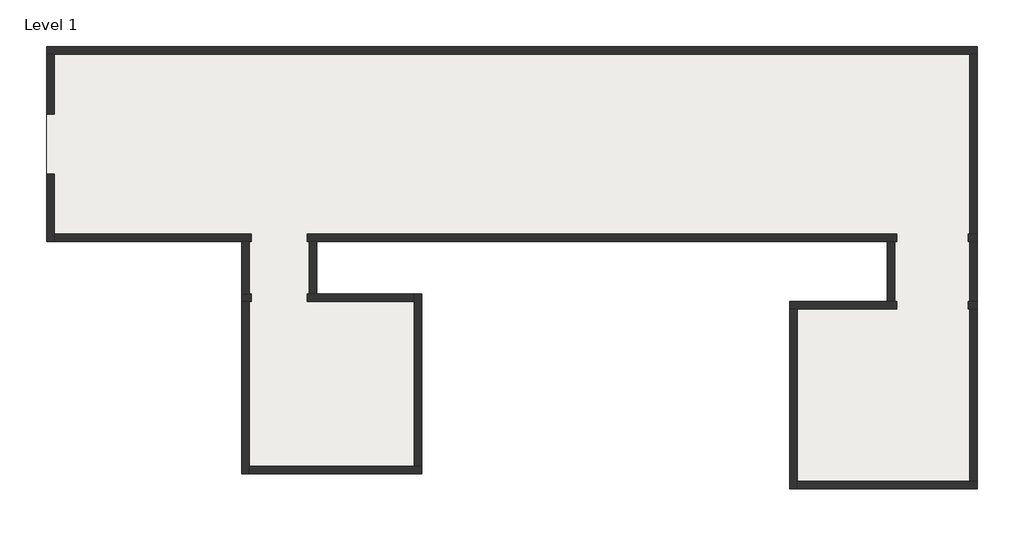
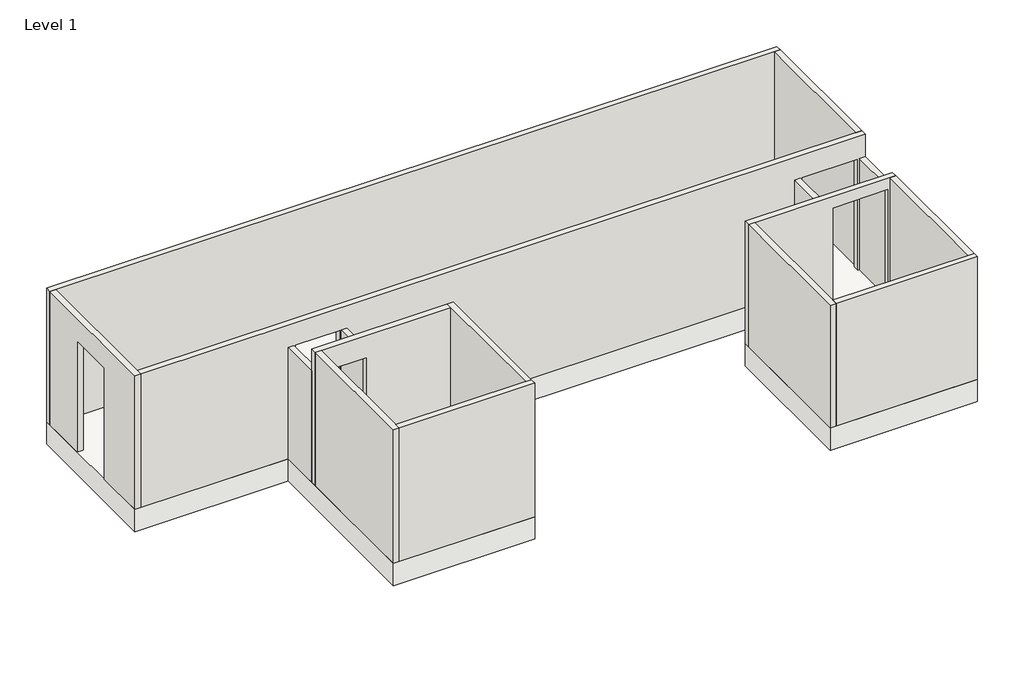
# One storey: 16 walls, 1 slab.
"""IFC4 building model written with IfcOpenShell, lengths in millimetres."""

import ifcopenshell
import ifcopenshell.guid

model = None  # the IFC model being written
_history = None  # IfcOwnerHistory: only IFC2X3 demands one
_inside = {}  # id of a spatial element -> (the spatial element, [elements in it])
_under = {}  # id of a project, library or spatial element -> (it, [spatial elements below it])
_declared = {}  # id of a project -> (the project, [libraries it declares])
_typed = {}  # id of a type object -> (the type object, [elements of that type])
_made_of = {}  # id of a material, layer set ... -> (it, [elements and type objects made of it])


def new_model(schema):
    """Start an empty IFC model of exactly this schema.

    Asked for "IFC4X3", IfcOpenShell would pick the latest addendum, in which some entities
    have other attributes; the version numbers below select the first issue.
    IFC2X3 requires an IfcOwnerHistory on every rooted entity: one is made here for all.
    """
    global model, _history
    if schema == "IFC4X3":
        model = ifcopenshell.file(schema_version=(4, 3, 0, 0))
    else:
        model = ifcopenshell.file(schema=schema)
    _inside.clear()
    _under.clear()
    _declared.clear()
    _typed.clear()
    _made_of.clear()
    _history = None
    if model.schema == "IFC2X3":
        org = make("IfcOrganization", Name="unknown")
        user = make(
            "IfcPersonAndOrganization",
            ThePerson=make("IfcPerson", FamilyName="unknown"),
            TheOrganization=org,
        )
        app = make(
            "IfcApplication",
            ApplicationDeveloper=org,
            Version="unknown",
            ApplicationFullName="unknown",
            ApplicationIdentifier="unknown",
        )
        _history = make(
            "IfcOwnerHistory",
            OwningUser=user,
            OwningApplication=app,
            ChangeAction="ADDED",
            CreationDate=0,
        )
    return model


def make(cls, **values):
    """One entity of the class cls with the attributes given. An attribute that is None is left unset."""
    return model.create_entity(
        cls, **{name: value for name, value in values.items() if value is not None}
    )


def rooted(cls, **values):
    """An entity with a GlobalId (a new one), such as an element, a storey or a relation."""
    return make(cls, GlobalId=ifcopenshell.guid.new(), OwnerHistory=_history, **values)


def si_unit(unit_type, name, prefix=None):
    """IfcSIUnit, for example si_unit("LENGTHUNIT", "METRE", prefix="MILLI")."""
    return make("IfcSIUnit", UnitType=unit_type, Prefix=prefix, Name=name)


def assignment(units):
    """IfcUnitAssignment: the units of a project."""
    return None if units is None else make("IfcUnitAssignment", Units=units)


def point(xyz):
    """IfcCartesianPoint."""
    return None if xyz is None else make("IfcCartesianPoint", Coordinates=xyz)


def direction(xyz):
    """IfcDirection."""
    return None if xyz is None else make("IfcDirection", DirectionRatios=xyz)


def frame(location, z_axis=None, x_axis=None):
    """IfcAxis2Placement3D, a coordinate frame: its origin and axes. An axis left out is left unset."""
    return make(
        "IfcAxis2Placement3D",
        Location=point(location),
        Axis=direction(z_axis),
        RefDirection=direction(x_axis),
    )


def origin():
    """The frame at (0, 0, 0) with its axes left unset."""
    return frame((0.0, 0.0, 0.0))


def origin_with_axes():
    """The frame at (0, 0, 0) with the z axis (0, 0, 1) and the x axis (1, 0, 0) written out."""
    return frame((0.0, 0.0, 0.0), z_axis=(0.0, 0.0, 1.0), x_axis=(1.0, 0.0, 0.0))


def place(relative_to, where):
    """IfcLocalPlacement: puts the frame where relative to a parent placement (None: the world)."""
    return make(
        "IfcLocalPlacement", PlacementRelTo=relative_to, RelativePlacement=where
    )


def context(
    kind, dimensions, precision=None, world=None, true_north=None, identifier=None
):
    """IfcGeometricRepresentationContext, for example the 3D "Model" context."""
    return make(
        "IfcGeometricRepresentationContext",
        ContextIdentifier=identifier,
        ContextType=kind,
        CoordinateSpaceDimension=dimensions,
        Precision=precision,
        WorldCoordinateSystem=world,
        TrueNorth=true_north,
    )


def project(units=None, contexts=None):
    """IfcProject with its units and contexts."""
    return rooted(
        "IfcProject",
        Name="project",
        RepresentationContexts=contexts,
        UnitsInContext=assignment(units),
    )


def spatial(cls, under=None, at=None, **own):
    """A site, building, storey or space (cls), placed at a placement, below another one or the project."""
    s = rooted(cls, ObjectPlacement=at, **own)
    if under is not None:
        _under.setdefault(under.id(), (under, []))[1].append(s)
    return s


def polyline(points):
    """IfcPolyline through the points."""
    return make("IfcPolyline", Points=[point(p) for p in points])


def outline(outer, holes=None, kind="AREA"):
    """IfcArbitraryClosedProfileDef: a profile drawn as a closed curve; with holes, ...WithVoids."""
    if holes is None:
        return make("IfcArbitraryClosedProfileDef", ProfileType=kind, OuterCurve=outer)
    return make(
        "IfcArbitraryProfileDefWithVoids",
        ProfileType=kind,
        OuterCurve=outer,
        InnerCurves=holes,
    )


def extrude(swept, where, along, depth):
    """IfcExtrudedAreaSolid: the profile swept, set in the frame where, extruded along a direction by depth."""
    return make(
        "IfcExtrudedAreaSolid",
        SweptArea=swept,
        Position=where,
        ExtrudedDirection=direction(along),
        Depth=depth,
    )


def faces_of(points, faces, orient=None, outer=None):
    """IfcFace entities. A face is a list of loops; a loop is a list of indices into points, from 0.

    orient and outer hold one flag for each loop. By default every Orientation is true, the
    first loop of a face is its IfcFaceOuterBound and the others are IfcFaceBound.
    """
    made = []
    for i, loops in enumerate(faces):
        bounds = []
        for j, loop in enumerate(loops):
            is_outer = j == 0 if outer is None else outer[i][j]
            bounds.append(
                make(
                    "IfcFaceOuterBound" if is_outer else "IfcFaceBound",
                    Bound=make("IfcPolyLoop", Polygon=[points[k] for k in loop]),
                    Orientation=True if orient is None else orient[i][j],
                )
            )
        made.append(make("IfcFace", Bounds=bounds))
    return made


def faceted_brep(points, faces, orient=None, outer=None, voids=None):
    """IfcFacetedBrep: a solid bounded by flat faces; with voids (closed shells), ...WithVoids."""
    shared = [point(p) for p in points]
    hull = make("IfcClosedShell", CfsFaces=faces_of(shared, faces, orient, outer))
    if voids is None:
        return make("IfcFacetedBrep", Outer=hull)
    return make(
        "IfcFacetedBrepWithVoids",
        Outer=hull,
        Voids=[
            make(cls, CfsFaces=faces_of(shared, fs, o, b)) for cls, fs, o, b in voids
        ],
    )


def shape(context_of_items, identifier, shape_type, items):
    """IfcShapeRepresentation: the items that make up one representation, for example the "Body"."""
    return make(
        "IfcShapeRepresentation",
        ContextOfItems=context_of_items,
        RepresentationIdentifier=identifier,
        RepresentationType=shape_type,
        Items=items,
    )


def made_of(thing, what):
    """Note that an element or type object is made of a material, layer set ...; save() writes the relation."""
    if what is not None:
        _made_of.setdefault(what.id(), (what, []))[1].append(thing)
    return thing


def element(
    cls,
    number,
    at=None,
    inside=None,
    cuts=None,
    type_object=None,
    material=None,
    context=None,
    identifier="Body",
    shape_type=None,
    held_by="IfcProductDefinitionShape",
    body=None,
    shapes=None,
    **own,
):
    """One element of the class cls, such as IfcWall. Its Tag is "e" and its number.

    at: its placement. inside: the storey or other place that contains it. cuts: it is an
    opening in that element (IfcRelVoidsElement). A single representation is given by context,
    identifier, shape_type and body (its items); several are given by shapes. held_by: the class
    of the entity that holds the representations. save() writes the other relations.
    """
    e = rooted(cls, Tag="e%d" % number, ObjectPlacement=at, **own)
    if body is not None:
        shapes = [shape(context, identifier, shape_type, body)]
    if shapes is not None:
        e.Representation = make(held_by, Representations=shapes)
    if inside is not None:
        _inside.setdefault(inside.id(), (inside, []))[1].append(e)
    if cuts is not None:
        rooted(
            "IfcRelVoidsElement", RelatingBuildingElement=cuts, RelatedOpeningElement=e
        )
    if type_object is not None:
        _typed.setdefault(type_object.id(), (type_object, []))[1].append(e)
    return made_of(e, material)


def aggregate(whole, parts):
    """IfcRelAggregates: a whole, such as a stair, and the parts it consists of."""
    return rooted("IfcRelAggregates", RelatingObject=whole, RelatedObjects=parts)


def save(model, path):
    """Write the relations noted so far, then the file.

    IfcRelAggregates (storeys below a building ...), IfcRelContainedInSpatialStructure (elements
    in a storey), IfcRelDefinesByType, IfcRelAssociatesMaterial and IfcRelDeclares: one each for
    every whole, place, type object, material and project.
    """
    for whole, parts in _under.values():
        aggregate(whole, parts)
    for where, things in _inside.values():
        rooted(
            "IfcRelContainedInSpatialStructure",
            RelatedElements=things,
            RelatingStructure=where,
        )
    for kind, things in _typed.values():
        rooted("IfcRelDefinesByType", RelatedObjects=things, RelatingType=kind)
    for what, things in _made_of.values():
        rooted("IfcRelAssociatesMaterial", RelatedObjects=things, RelatingMaterial=what)
    for by, libraries in _declared.values():
        rooted("IfcRelDeclares", RelatingContext=by, RelatedDefinitions=libraries)
    model.write(path)


model = new_model("IFC4")

# Units and contexts
model_context = context("Model", 3, world=origin())
ifc_project = project(units=[si_unit("LENGTHUNIT", "METRE", prefix="MILLI")], contexts=[model_context])

# Site, building, storey
site = spatial("IfcSite", under=ifc_project)
building = spatial("IfcBuilding", under=site)
storey = spatial("IfcBuildingStorey", under=building, Name="Level 1", Elevation=0.0)

# Slab
placement = place(None, origin())
element("IfcSlab", 1, at=placement, inside=storey, context=model_context, shape_type="SweptSolid", body=[
    extrude(outline(polyline([(2762.2531707, -1784.5095063), (2762.2531707, 815.4904937), (15162.2531707, 815.4904937), (15162.2531707, -5084.5095063), (12662.2531707, -5084.5095063), (12662.2531707, -2584.5095063), (13962.2531707, -2584.5095063), (13962.2531707, -1784.5095063), (6362.2531707, -1784.5095063), (6362.2531707, -2484.5095063), (7762.2531707, -2484.5095063), (7762.2531707, -4884.5095063), (5362.2531707, -4884.5095063), (5362.2531707, -1784.5095063), (2762.2531707, -1784.5095063)])), frame((0.0, 0.0, -400.0), z_axis=(0.0, 0.0, 1.0), x_axis=(1.0, 0.0, 0.0)), (0.0, 0.0, 1.0), 400.0),
])

# Walls
element("IfcWall", 2, at=placement, inside=storey, context=model_context, shape_type="Brep", body=[
    faceted_brep([(15162.2531707, 815.4904937, 0.0), (2762.2531707, 815.4904937, 0.0), (2762.2531707, 815.4904937, 2400.0), (15162.2531707, 815.4904937, 2400.0), (15162.2531707, 715.4904937, 0.0), (15162.2531707, 715.4904937, 2400.0), (15062.2531707, 715.4904937, 2400.0), (2862.2531707, 715.4904937, 2400.0), (2762.2531707, 715.4904937, 2400.0), (2762.2531707, 715.4904937, 0.0), (2862.2531707, 715.4904937, 0.0), (15062.2531707, 715.4904937, 0.0)], [[[0, 1, 2, 3]], [[4, 5, 6, 7, 8, 9, 10, 11]], [[1, 0, 4, 11, 10, 9]], [[3, 2, 8, 7, 6, 5]], [[2, 1, 9, 8]], [[0, 3, 5, 4]]]),
])
element("IfcWall", 3, at=placement, inside=storey, context=model_context, shape_type="Brep", body=[
    faceted_brep([(2762.2531707, -1784.5095063, 0.0), (2762.2531707, -1784.5095063, 2400.0), (2762.2531707, 715.4904937, 2400.0), (2762.2531707, 715.4904937, 0.0), (2762.2531707, -84.5095063, 0.0), (2762.2531707, -84.5095063, 2000.0), (2762.2531707, -884.5095063, 2000.0), (2762.2531707, -884.5095063, 0.0), (2862.2531707, -1784.5095063, 2400.0), (2862.2531707, -1784.5095063, 0.0), (2862.2531707, -1684.5095063, 0.0), (2862.2531707, -884.5095063, 0.0), (2862.2531707, -884.5095063, 2000.0), (2862.2531707, -84.5095063, 2000.0), (2862.2531707, -84.5095063, 0.0), (2862.2531707, 715.4904937, 0.0), (2862.2531707, 715.4904937, 2400.0), (2862.2531707, -1684.5095063, 2400.0)], [[[0, 1, 2, 3, 4, 5, 6, 7]], [[8, 9, 10, 11, 12, 13, 14, 15, 16, 17]], [[3, 15, 14, 4]], [[9, 0, 7, 11, 10]], [[2, 1, 8, 17, 16]], [[3, 2, 16, 15]], [[1, 0, 9, 8]], [[5, 13, 12, 6]], [[13, 5, 4, 14]], [[6, 12, 11, 7]]]),
])
element("IfcWall", 4, at=placement, inside=storey, context=model_context, shape_type="Brep", body=[
    faceted_brep([(5362.2531707, -2584.5095063, 2400.0), (5362.2531707, -2584.5095063, 0.0), (5362.2531707, -4884.5095063, 0.0), (5362.2531707, -4884.5095063, 2400.0), (5462.2531707, -2584.5095063, 0.0), (5462.2531707, -2584.5095063, 2400.0), (5462.2531707, -4784.5095063, 2400.0), (5462.2531707, -4884.5095063, 2400.0), (5462.2531707, -4884.5095063, 0.0), (5462.2531707, -4784.5095063, 0.0)], [[[0, 1, 2, 3]], [[4, 5, 6, 7, 8, 9]], [[2, 1, 4, 9, 8]], [[0, 3, 7, 6, 5]], [[3, 2, 8, 7]], [[0, 5, 4, 1]]]),
])
element("IfcWall", 5, at=placement, inside=storey, context=model_context, shape_type="Brep", body=[
    faceted_brep([(5462.2531707, -4884.5095063, 0.0), (7762.2531707, -4884.5095063, 0.0), (7762.2531707, -4884.5095063, 2400.0), (5462.2531707, -4884.5095063, 2400.0), (5462.2531707, -4784.5095063, 0.0), (5462.2531707, -4784.5095063, 2400.0), (7662.2531707, -4784.5095063, 2400.0), (7762.2531707, -4784.5095063, 2400.0), (7762.2531707, -4784.5095063, 0.0), (7662.2531707, -4784.5095063, 0.0)], [[[0, 1, 2, 3]], [[4, 5, 6, 7, 8, 9]], [[1, 0, 4, 9, 8]], [[3, 2, 7, 6, 5]], [[0, 3, 5, 4]], [[2, 1, 8, 7]]]),
])
element("IfcWall", 6, at=placement, inside=storey, context=model_context, shape_type="Brep", body=[
    faceted_brep([(7762.2531707, -4784.5095063, 0.0), (7762.2531707, -2484.5095063, 0.0), (7762.2531707, -2484.5095063, 2400.0), (7762.2531707, -4784.5095063, 2400.0), (7662.2531707, -4784.5095063, 0.0), (7662.2531707, -4784.5095063, 2400.0), (7662.2531707, -2584.5095063, 2400.0), (7662.2531707, -2484.5095063, 2400.0), (7662.2531707, -2484.5095063, 0.0), (7662.2531707, -2584.5095063, 0.0)], [[[0, 1, 2, 3]], [[4, 5, 6, 7, 8, 9]], [[1, 0, 4, 9, 8]], [[3, 2, 7, 6, 5]], [[0, 3, 5, 4]], [[2, 1, 8, 7]]]),
])
element("IfcWall", 7, at=placement, inside=storey, context=model_context, shape_type="Brep", body=[
    faceted_brep([(5362.2531707, -2484.5095063, 0.0), (5362.2531707, -2484.5095063, 2000.0), (5362.2531707, -2484.5095063, 2400.0), (7662.2531707, -2484.5095063, 2400.0), (7662.2531707, -2484.5095063, 0.0), (6362.2531707, -2484.5095063, 0.0), (6262.2531707, -2484.5095063, 0.0), (6237.2531707, -2484.5095063, 0.0), (6237.2531707, -2484.5095063, 2000.0), (5487.2531707, -2484.5095063, 2000.0), (5487.2531707, -2484.5095063, 0.0), (5462.2531707, -2484.5095063, 0.0), (5362.2531707, -2584.5095063, 2400.0), (5362.2531707, -2584.5095063, 0.0), (5462.2531707, -2584.5095063, 0.0), (5487.2531707, -2584.5095063, 0.0), (5487.2531707, -2584.5095063, 2000.0), (6237.2531707, -2584.5095063, 2000.0), (6237.2531707, -2584.5095063, 0.0), (7662.2531707, -2584.5095063, 0.0), (7662.2531707, -2584.5095063, 2400.0), (5462.2531707, -2584.5095063, 2400.0)], [[[0, 1, 2, 3, 4, 5, 6, 7, 8, 9, 10, 11]], [[12, 13, 14, 15, 16, 17, 18, 19, 20, 21]], [[4, 19, 18, 7, 6, 5]], [[13, 0, 11, 10, 15, 14]], [[3, 2, 12, 21, 20]], [[4, 3, 20, 19]], [[0, 13, 12, 2, 1]], [[8, 17, 16, 9]], [[17, 8, 7, 18]], [[9, 16, 15, 10]]]),
])
element("IfcWall", 8, at=placement, inside=storey, context=model_context, shape_type="SweptSolid", body=[
    extrude(outline(polyline([(6362.2531707, -1784.5095063), (6362.2531707, -2484.5095063), (6262.2531707, -2484.5095063), (6262.2531707, -1784.5095063), (6362.2531707, -1784.5095063)])), origin_with_axes(), (0.0, 0.0, 1.0), 2000.0),
])
element("IfcWall", 9, at=placement, inside=storey, context=model_context, shape_type="Brep", body=[
    faceted_brep([(15162.2531707, -1784.5095063, 0.0), (15162.2531707, -1784.5095063, 2000.0), (15162.2531707, -1784.5095063, 2400.0), (2862.2531707, -1784.5095063, 2400.0), (2862.2531707, -1784.5095063, 0.0), (5362.2531707, -1784.5095063, 0.0), (5462.2531707, -1784.5095063, 0.0), (5487.2531707, -1784.5095063, 0.0), (5487.2531707, -1784.5095063, 2000.0), (6237.2531707, -1784.5095063, 2000.0), (6237.2531707, -1784.5095063, 0.0), (6262.2531707, -1784.5095063, 0.0), (6362.2531707, -1784.5095063, 0.0), (13962.2531707, -1784.5095063, 0.0), (14062.2531707, -1784.5095063, 0.0), (14087.2531707, -1784.5095063, 0.0), (14087.2531707, -1784.5095063, 2000.0), (15037.2531707, -1784.5095063, 2000.0), (15037.2531707, -1784.5095063, 0.0), (15062.2531707, -1784.5095063, 0.0), (15162.2531707, -1684.5095063, 2400.0), (15162.2531707, -1684.5095063, 0.0), (15062.2531707, -1684.5095063, 0.0), (15037.2531707, -1684.5095063, 0.0), (15037.2531707, -1684.5095063, 2000.0), (14087.2531707, -1684.5095063, 2000.0), (14087.2531707, -1684.5095063, 0.0), (6237.2531707, -1684.5095063, 0.0), (6237.2531707, -1684.5095063, 2000.0), (5487.2531707, -1684.5095063, 2000.0), (5487.2531707, -1684.5095063, 0.0), (2862.2531707, -1684.5095063, 0.0), (2862.2531707, -1684.5095063, 2400.0), (15062.2531707, -1684.5095063, 2400.0)], [[[0, 1, 2, 3, 4, 5, 6, 7, 8, 9, 10, 11, 12, 13, 14, 15, 16, 17, 18, 19]], [[20, 21, 22, 23, 24, 25, 26, 27, 28, 29, 30, 31, 32, 33]], [[4, 31, 30, 7, 6, 5]], [[21, 0, 19, 18, 23, 22]], [[26, 15, 14, 13, 12, 11, 10, 27]], [[3, 2, 20, 33, 32]], [[4, 3, 32, 31]], [[0, 21, 20, 2, 1]], [[16, 25, 24, 17]], [[25, 16, 15, 26]], [[17, 24, 23, 18]], [[8, 29, 28, 9]], [[29, 8, 7, 30]], [[9, 28, 27, 10]]]),
])
element("IfcWall", 10, at=placement, inside=storey, context=model_context, shape_type="SweptSolid", body=[
    extrude(outline(polyline([(13962.2531707, -2584.5095063), (13962.2531707, -1784.5095063), (14062.2531707, -1784.5095063), (14062.2531707, -2584.5095063), (13962.2531707, -2584.5095063)])), origin_with_axes(), (0.0, 0.0, 1.0), 2000.0),
])
element("IfcWall", 11, at=placement, inside=storey, context=model_context, shape_type="Brep", body=[
    faceted_brep([(12662.2531707, -2584.5095063, 0.0), (12662.2531707, -2584.5095063, 2200.0), (15162.2531707, -2584.5095063, 2200.0), (15162.2531707, -2584.5095063, 2000.0), (15162.2531707, -2584.5095063, 0.0), (15062.2531707, -2584.5095063, 0.0), (15037.2531707, -2584.5095063, 0.0), (15037.2531707, -2584.5095063, 2000.0), (14087.2531707, -2584.5095063, 2000.0), (14087.2531707, -2584.5095063, 0.0), (14062.2531707, -2584.5095063, 0.0), (13962.2531707, -2584.5095063, 0.0), (12662.2531707, -2684.5095063, 2200.0), (12662.2531707, -2684.5095063, 0.0), (12762.2531707, -2684.5095063, 0.0), (14087.2531707, -2684.5095063, 0.0), (14087.2531707, -2684.5095063, 2000.0), (15037.2531707, -2684.5095063, 2000.0), (15037.2531707, -2684.5095063, 0.0), (15062.2531707, -2684.5095063, 0.0), (15162.2531707, -2684.5095063, 0.0), (15162.2531707, -2684.5095063, 2200.0), (15062.2531707, -2684.5095063, 2200.0), (12762.2531707, -2684.5095063, 2200.0)], [[[0, 1, 2, 3, 4, 5, 6, 7, 8, 9, 10, 11]], [[12, 13, 14, 15, 16, 17, 18, 19, 20, 21, 22, 23]], [[13, 0, 11, 10, 9, 15, 14]], [[4, 20, 19, 18, 6, 5]], [[2, 1, 12, 23, 22, 21]], [[1, 0, 13, 12]], [[2, 21, 20, 4, 3]], [[7, 17, 16, 8]], [[17, 7, 6, 18]], [[8, 16, 15, 9]]]),
])
element("IfcWall", 12, at=placement, inside=storey, context=model_context, shape_type="Brep", body=[
    faceted_brep([(12662.2531707, -2684.5095063, 0.0), (12662.2531707, -5084.5095063, 0.0), (12662.2531707, -5084.5095063, 2200.0), (12662.2531707, -2684.5095063, 2200.0), (12762.2531707, -2684.5095063, 0.0), (12762.2531707, -2684.5095063, 2200.0), (12762.2531707, -4984.5095063, 2200.0), (12762.2531707, -5084.5095063, 2200.0), (12762.2531707, -5084.5095063, 0.0), (12762.2531707, -4984.5095063, 0.0)], [[[0, 1, 2, 3]], [[4, 5, 6, 7, 8, 9]], [[1, 0, 4, 9, 8]], [[3, 2, 7, 6, 5]], [[0, 3, 5, 4]], [[2, 1, 8, 7]]]),
])
element("IfcWall", 13, at=placement, inside=storey, context=model_context, shape_type="Brep", body=[
    faceted_brep([(12762.2531707, -5084.5095063, 0.0), (15162.2531707, -5084.5095063, 0.0), (15162.2531707, -5084.5095063, 2200.0), (12762.2531707, -5084.5095063, 2200.0), (12762.2531707, -4984.5095063, 0.0), (12762.2531707, -4984.5095063, 2200.0), (15062.2531707, -4984.5095063, 2200.0), (15162.2531707, -4984.5095063, 2200.0), (15162.2531707, -4984.5095063, 0.0), (15062.2531707, -4984.5095063, 0.0)], [[[0, 1, 2, 3]], [[4, 5, 6, 7, 8, 9]], [[1, 0, 4, 9, 8]], [[3, 2, 7, 6, 5]], [[0, 3, 5, 4]], [[2, 1, 8, 7]]]),
])
element("IfcWall", 14, at=placement, inside=storey, context=model_context, shape_type="SweptSolid", body=[
    extrude(outline(polyline([(15162.2531707, -2684.5095063), (15162.2531707, -4984.5095063), (15062.2531707, -4984.5095063), (15062.2531707, -2684.5095063), (15162.2531707, -2684.5095063)])), origin_with_axes(), (0.0, 0.0, 1.0), 2200.0),
])
element("IfcWall", 15, at=placement, inside=storey, context=model_context, shape_type="SweptSolid", body=[
    extrude(outline(polyline([(5462.2531707, -1784.5095063), (5462.2531707, -2484.5095063), (5362.2531707, -2484.5095063), (5362.2531707, -1784.5095063), (5462.2531707, -1784.5095063)])), origin_with_axes(), (0.0, 0.0, 1.0), 2000.0),
])
element("IfcWall", 16, at=placement, inside=storey, context=model_context, shape_type="SweptSolid", body=[
    extrude(outline(polyline([(15162.2531707, 715.4904937), (15162.2531707, -1684.5095063), (15062.2531707, -1684.5095063), (15062.2531707, 715.4904937), (15162.2531707, 715.4904937)])), origin_with_axes(), (0.0, 0.0, 1.0), 2400.0),
])
element("IfcWall", 17, at=placement, inside=storey, context=model_context, shape_type="SweptSolid", body=[
    extrude(outline(polyline([(15062.2531707, -2584.5095063), (15062.2531707, -1784.5095063), (15162.2531707, -1784.5095063), (15162.2531707, -2584.5095063), (15062.2531707, -2584.5095063)])), origin_with_axes(), (0.0, 0.0, 1.0), 2000.0),
])

save(model, "model.ifc")
